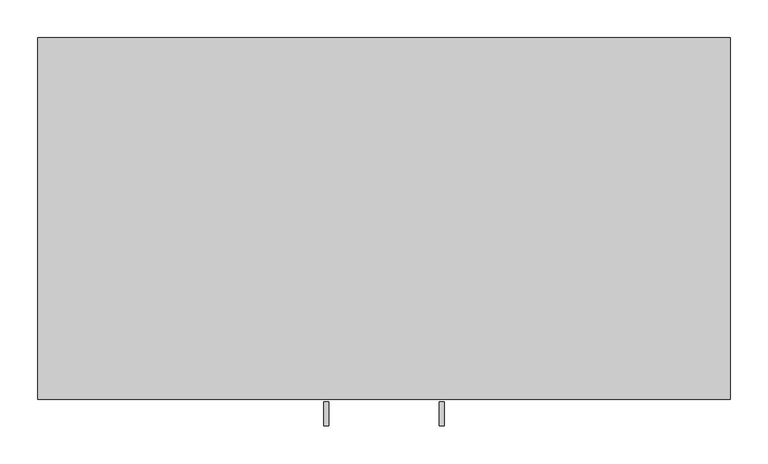
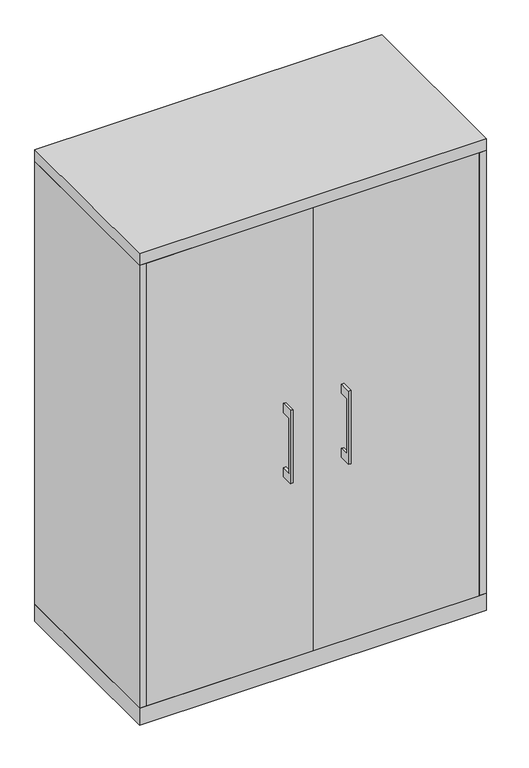
"""IFC4 building model written with IfcOpenShell, lengths in millimetres: furniture geometry."""

from ifc_helpers import new_model, si_unit, frame, origin, origin_with_axes, place, context, project, spatial, polyline, outline, extrude, source, transform, mapped, element, save


def furniture_dffc919f(model_context):
    return source(origin(), model_context, "Body", "SweptSolid", [
        extrude(outline(polyline([(436.5625, -19.05), (436.5625, -457.2), (-436.5625, -457.2), (-436.5625, -19.05), (436.5625, -19.05)])), frame((0.0, 0.0, 652.4625), z_axis=(0.0, 0.0, 1.0), x_axis=(1.0, 0.0, 0.0)), (0.0, 0.0, 1.0), 19.05),
        extrude(outline(polyline([(-479.425, 738.1875), (-504.8249758, 738.1875), (-504.8249758, 585.7875), (-479.425, 585.7875), (-479.425, 560.3875), (-511.1749879, 560.3875), (-511.1749879, 763.5875), (-479.425, 763.5875), (-479.425, 738.1875)])), frame((-79.3749879, 0.0, 0.0), z_axis=(1.0, 0.0, 0.0), x_axis=(0.0, 1.0, 0.0)), (0.0, 0.0, 1.0), 6.3499758),
        extrude(outline(polyline([(-436.5625, -476.25), (-436.5625, -457.2), (0.0, -457.2), (0.0, -476.25), (-436.5625, -476.25)])), frame((0.0, 0.0, 47.625), z_axis=(0.0, 0.0, 1.0), x_axis=(1.0, 0.0, 0.0)), (0.0, 0.0, 1.0), 1228.725),
        extrude(outline(polyline([(-479.425, 738.1875), (-504.8249758, 738.1875), (-504.8249758, 585.7875), (-479.425, 585.7875), (-479.425, 560.3875), (-511.1749879, 560.3875), (-511.1749879, 763.5875), (-479.425, 763.5875), (-479.425, 738.1875)])), frame((73.0250121, 0.0, 0.0), z_axis=(1.0, 0.0, 0.0), x_axis=(0.0, 1.0, 0.0)), (0.0, 0.0, 1.0), 6.3499758),
        extrude(outline(polyline([(436.5625, -476.25), (0.0, -476.25), (0.0, -457.2), (436.5625, -457.2), (436.5625, -476.25)])), frame((0.0, 0.0, 47.625), z_axis=(0.0, 0.0, 1.0), x_axis=(1.0, 0.0, 0.0)), (0.0, 0.0, 1.0), 1228.725),
        extrude(outline(polyline([(436.5625, -19.05), (436.5625, -457.2), (-436.5625, -457.2), (-436.5625, -19.05), (436.5625, -19.05)])), frame((0.0, 0.0, 959.64375), z_axis=(0.0, 0.0, 1.0), x_axis=(1.0, 0.0, 0.0)), (0.0, 0.0, 1.0), 19.05),
        extrude(outline(polyline([(436.5625, -19.05), (436.5625, -457.2), (-436.5625, -457.2), (-436.5625, -19.05), (436.5625, -19.05)])), frame((0.0, 0.0, 345.28125), z_axis=(0.0, 0.0, 1.0), x_axis=(1.0, 0.0, 0.0)), (0.0, 0.0, 1.0), 19.05),
        extrude(outline(polyline([(455.6125, 0.0), (455.6125, -476.25), (-455.6125, -476.25), (-455.6125, 0.0), (455.6125, 0.0)])), origin_with_axes(), (0.0, 0.0, 1.0), 47.625),
        extrude(outline(polyline([(455.6125, 0.0), (455.6125, -476.25), (-455.6125, -476.25), (-455.6125, 0.0), (455.6125, 0.0)])), frame((0.0, 0.0, 1276.35), z_axis=(0.0, 0.0, 1.0), x_axis=(1.0, 0.0, 0.0)), (0.0, 0.0, 1.0), 31.75),
        extrude(outline(polyline([(455.6125, 0.0), (455.6125, -476.25), (436.5625, -476.25), (436.5625, -19.05), (-436.5625, -19.05), (-436.5625, -476.25), (-455.6125, -476.25), (-455.6125, 0.0), (455.6125, 0.0)])), frame((0.0, 0.0, 47.625), z_axis=(0.0, 0.0, 1.0), x_axis=(1.0, 0.0, 0.0)), (0.0, 0.0, 1.0), 1228.725),
    ])


if __name__ == "__main__":
    model = new_model("IFC4")
    model_context = context("Model", 3, world=origin())
    ifc_project = project(units=[si_unit("LENGTHUNIT", "METRE", prefix="MILLI")], contexts=[model_context])
    site = spatial("IfcSite", under=ifc_project)
    building = spatial("IfcBuilding", under=site)
    placement = place(None, origin())
    furniture_shape = furniture_dffc919f(model_context)
    element("IfcFurniture", 1, at=placement, inside=building, context=model_context, shape_type="MappedRepresentation", body=[
        mapped(furniture_shape, transform((0.0, 0.0, 0.0), x_axis=(1.0, 0.0, 0.0), y_axis=(0.0, 1.0, 0.0), z_axis=(0.0, 0.0, 1.0))),
    ])
    save(model, "model.ifc")
